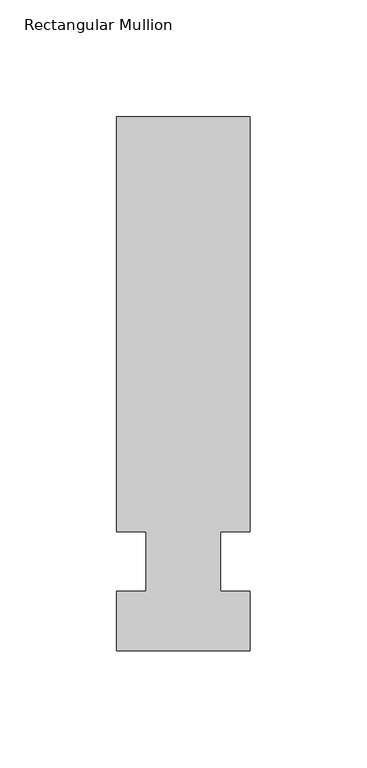
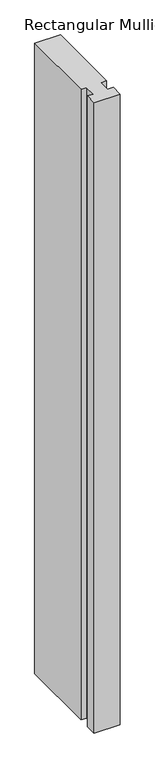
"""IFC4 building model written with IfcOpenShell, lengths in millimetres: member geometry, Rectangular Mullion."""

from ifc_helpers import new_model, si_unit, frame, origin, place, context, project, spatial, polyline, outline, extrude, source, transform, mapped, element, save


def rectangular_mullion_8a998536(model_context):
    return source(origin(), model_context, "Body", "SweptSolid", [
        extrude(outline(polyline([(32.9094027, 190.5), (32.9094027, 12.7), (20.2076322, 12.7), (20.2076322, -12.7), (32.9094027, -12.7), (32.9094027, -38.1), (-24.2405973, -38.1), (-24.2405973, -12.7), (-11.5405973, -12.7), (-11.5405973, 12.7), (-24.2405973, 12.7), (-24.2405973, 190.5), (32.9094027, 190.5)])), frame((0.0, 0.0, -1478.28), z_axis=(0.0, 0.0, 1.0), x_axis=(1.0, 0.0, 0.0)), (0.0, 0.0, 1.0), 1478.28),
    ])


if __name__ == "__main__":
    model = new_model("IFC4")
    model_context = context("Model", 3, world=origin())
    ifc_project = project(units=[si_unit("LENGTHUNIT", "METRE", prefix="MILLI")], contexts=[model_context])
    site = spatial("IfcSite", under=ifc_project)
    building = spatial("IfcBuilding", under=site)
    placement = place(None, origin())
    rectangular_mullion_shape = rectangular_mullion_8a998536(model_context)
    element("IfcMember", 1, ObjectType="Rectangular Mullion", at=placement, inside=building, context=model_context, shape_type="MappedRepresentation", body=[
        mapped(rectangular_mullion_shape, transform((0.0, 0.0, 0.0), x_axis=(1.0, 0.0, 0.0), y_axis=(0.0, 1.0, 0.0), z_axis=(0.0, 0.0, 1.0))),
    ])
    save(model, "model.ifc")
